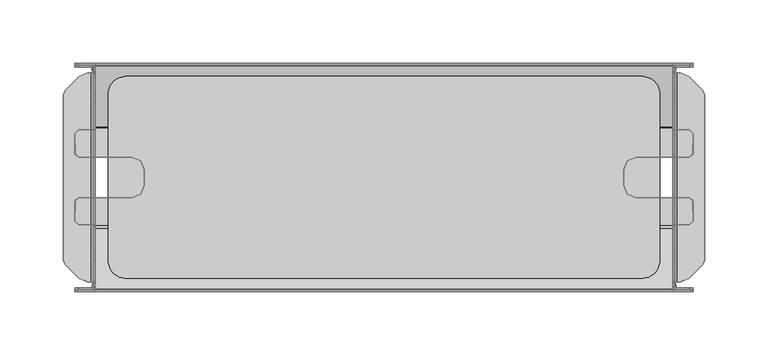
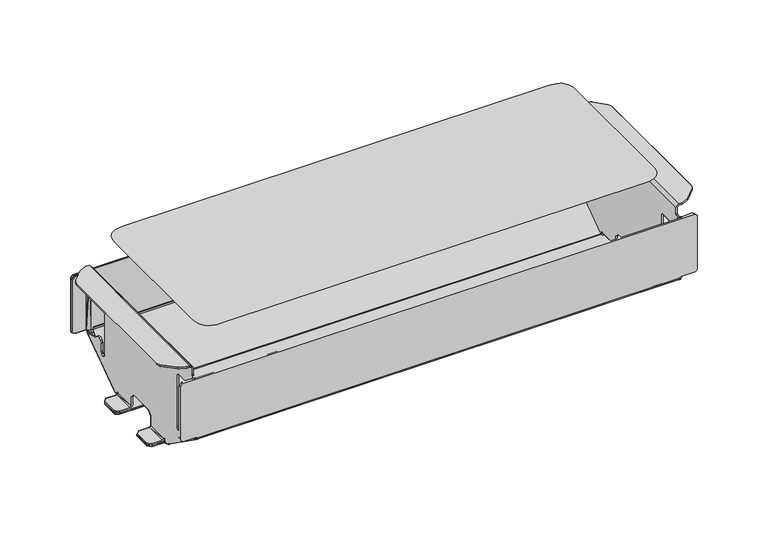
"""IFC4 building model written with IfcOpenShell, lengths in millimetres: furniture geometry."""

import ifcopenshell
import ifcopenshell.guid

model = None  # the IFC model being written
_history = None  # IfcOwnerHistory: only IFC2X3 demands one
_inside = {}  # id of a spatial element -> (the spatial element, [elements in it])
_under = {}  # id of a project, library or spatial element -> (it, [spatial elements below it])
_declared = {}  # id of a project -> (the project, [libraries it declares])
_typed = {}  # id of a type object -> (the type object, [elements of that type])
_made_of = {}  # id of a material, layer set ... -> (it, [elements and type objects made of it])


def new_model(schema):
    """Start an empty IFC model of exactly this schema.

    Asked for "IFC4X3", IfcOpenShell would pick the latest addendum, in which some entities
    have other attributes; the version numbers below select the first issue.
    IFC2X3 requires an IfcOwnerHistory on every rooted entity: one is made here for all.
    """
    global model, _history
    if schema == "IFC4X3":
        model = ifcopenshell.file(schema_version=(4, 3, 0, 0))
    else:
        model = ifcopenshell.file(schema=schema)
    _inside.clear()
    _under.clear()
    _declared.clear()
    _typed.clear()
    _made_of.clear()
    _history = None
    if model.schema == "IFC2X3":
        org = make("IfcOrganization", Name="unknown")
        user = make(
            "IfcPersonAndOrganization",
            ThePerson=make("IfcPerson", FamilyName="unknown"),
            TheOrganization=org,
        )
        app = make(
            "IfcApplication",
            ApplicationDeveloper=org,
            Version="unknown",
            ApplicationFullName="unknown",
            ApplicationIdentifier="unknown",
        )
        _history = make(
            "IfcOwnerHistory",
            OwningUser=user,
            OwningApplication=app,
            ChangeAction="ADDED",
            CreationDate=0,
        )
    return model


def make(cls, **values):
    """One entity of the class cls with the attributes given. An attribute that is None is left unset."""
    return model.create_entity(
        cls, **{name: value for name, value in values.items() if value is not None}
    )


def rooted(cls, **values):
    """An entity with a GlobalId (a new one), such as an element, a storey or a relation."""
    return make(cls, GlobalId=ifcopenshell.guid.new(), OwnerHistory=_history, **values)


def si_unit(unit_type, name, prefix=None):
    """IfcSIUnit, for example si_unit("LENGTHUNIT", "METRE", prefix="MILLI")."""
    return make("IfcSIUnit", UnitType=unit_type, Prefix=prefix, Name=name)


def assignment(units):
    """IfcUnitAssignment: the units of a project."""
    return None if units is None else make("IfcUnitAssignment", Units=units)


def point(xyz):
    """IfcCartesianPoint."""
    return None if xyz is None else make("IfcCartesianPoint", Coordinates=xyz)


def direction(xyz):
    """IfcDirection."""
    return None if xyz is None else make("IfcDirection", DirectionRatios=xyz)


def frame(location, z_axis=None, x_axis=None):
    """IfcAxis2Placement3D, a coordinate frame: its origin and axes. An axis left out is left unset."""
    return make(
        "IfcAxis2Placement3D",
        Location=point(location),
        Axis=direction(z_axis),
        RefDirection=direction(x_axis),
    )


def origin():
    """The frame at (0, 0, 0) with its axes left unset."""
    return frame((0.0, 0.0, 0.0))


def place(relative_to, where):
    """IfcLocalPlacement: puts the frame where relative to a parent placement (None: the world)."""
    return make(
        "IfcLocalPlacement", PlacementRelTo=relative_to, RelativePlacement=where
    )


def context(
    kind, dimensions, precision=None, world=None, true_north=None, identifier=None
):
    """IfcGeometricRepresentationContext, for example the 3D "Model" context."""
    return make(
        "IfcGeometricRepresentationContext",
        ContextIdentifier=identifier,
        ContextType=kind,
        CoordinateSpaceDimension=dimensions,
        Precision=precision,
        WorldCoordinateSystem=world,
        TrueNorth=true_north,
    )


def project(units=None, contexts=None):
    """IfcProject with its units and contexts."""
    return rooted(
        "IfcProject",
        Name="project",
        RepresentationContexts=contexts,
        UnitsInContext=assignment(units),
    )


def spatial(cls, under=None, at=None, **own):
    """A site, building, storey or space (cls), placed at a placement, below another one or the project."""
    s = rooted(cls, ObjectPlacement=at, **own)
    if under is not None:
        _under.setdefault(under.id(), (under, []))[1].append(s)
    return s


def point_list(points):
    """IfcCartesianPointList2D or 3D."""
    cls = (
        "IfcCartesianPointList2D" if len(points[0]) == 2 else "IfcCartesianPointList3D"
    )
    return make(cls, CoordList=points)


def triangles(points, corners, closed=None, point_numbers=None):
    """IfcTriangulatedFaceSet: each triangle names its three corners, points numbered from 1."""
    return make(
        "IfcTriangulatedFaceSet",
        Coordinates=point_list(points),
        Closed=closed,
        CoordIndex=corners,
        PnIndex=point_numbers,
    )


def shape(context_of_items, identifier, shape_type, items):
    """IfcShapeRepresentation: the items that make up one representation, for example the "Body"."""
    return make(
        "IfcShapeRepresentation",
        ContextOfItems=context_of_items,
        RepresentationIdentifier=identifier,
        RepresentationType=shape_type,
        Items=items,
    )


def source(mapping_origin, context_of_items, identifier, shape_type, items):
    """IfcRepresentationMap: a shape defined once, which mapped items show again and again."""
    return make(
        "IfcRepresentationMap",
        MappingOrigin=mapping_origin,
        MappedRepresentation=shape(context_of_items, identifier, shape_type, items),
    )


def transform(
    local_origin,
    x_axis=None,
    y_axis=None,
    z_axis=None,
    scale=None,
    scale2=None,
    scale3=None,
    uniform=True,
):
    """IfcCartesianTransformationOperator3D, or its non-uniform kind. x_axis, y_axis, z_axis: its Axis1, 2, 3."""
    if uniform:
        return make(
            "IfcCartesianTransformationOperator3D",
            Axis1=direction(x_axis),
            Axis2=direction(y_axis),
            LocalOrigin=point(local_origin),
            Scale=scale,
            Axis3=direction(z_axis),
        )
    return make(
        "IfcCartesianTransformationOperator3DnonUniform",
        Axis1=direction(x_axis),
        Axis2=direction(y_axis),
        LocalOrigin=point(local_origin),
        Scale=scale,
        Axis3=direction(z_axis),
        Scale2=scale2,
        Scale3=scale3,
    )


def mapped(mapping_source, mapping_target):
    """IfcMappedItem: shows the shape of a source again, moved by a transform."""
    return make(
        "IfcMappedItem", MappingSource=mapping_source, MappingTarget=mapping_target
    )


def made_of(thing, what):
    """Note that an element or type object is made of a material, layer set ...; save() writes the relation."""
    if what is not None:
        _made_of.setdefault(what.id(), (what, []))[1].append(thing)
    return thing


def element(
    cls,
    number,
    at=None,
    inside=None,
    cuts=None,
    type_object=None,
    material=None,
    context=None,
    identifier="Body",
    shape_type=None,
    held_by="IfcProductDefinitionShape",
    body=None,
    shapes=None,
    **own,
):
    """One element of the class cls, such as IfcWall. Its Tag is "e" and its number.

    at: its placement. inside: the storey or other place that contains it. cuts: it is an
    opening in that element (IfcRelVoidsElement). A single representation is given by context,
    identifier, shape_type and body (its items); several are given by shapes. held_by: the class
    of the entity that holds the representations. save() writes the other relations.
    """
    e = rooted(cls, Tag="e%d" % number, ObjectPlacement=at, **own)
    if body is not None:
        shapes = [shape(context, identifier, shape_type, body)]
    if shapes is not None:
        e.Representation = make(held_by, Representations=shapes)
    if inside is not None:
        _inside.setdefault(inside.id(), (inside, []))[1].append(e)
    if cuts is not None:
        rooted(
            "IfcRelVoidsElement", RelatingBuildingElement=cuts, RelatedOpeningElement=e
        )
    if type_object is not None:
        _typed.setdefault(type_object.id(), (type_object, []))[1].append(e)
    return made_of(e, material)


def aggregate(whole, parts):
    """IfcRelAggregates: a whole, such as a stair, and the parts it consists of."""
    return rooted("IfcRelAggregates", RelatingObject=whole, RelatedObjects=parts)


def save(model, path):
    """Write the relations noted so far, then the file.

    IfcRelAggregates (storeys below a building ...), IfcRelContainedInSpatialStructure (elements
    in a storey), IfcRelDefinesByType, IfcRelAssociatesMaterial and IfcRelDeclares: one each for
    every whole, place, type object, material and project.
    """
    for whole, parts in _under.values():
        aggregate(whole, parts)
    for where, things in _inside.values():
        rooted(
            "IfcRelContainedInSpatialStructure",
            RelatedElements=things,
            RelatingStructure=where,
        )
    for kind, things in _typed.values():
        rooted("IfcRelDefinesByType", RelatedObjects=things, RelatingType=kind)
    for what, things in _made_of.values():
        rooted("IfcRelAssociatesMaterial", RelatedObjects=things, RelatingMaterial=what)
    for by, libraries in _declared.values():
        rooted("IfcRelDeclares", RelatingContext=by, RelatedDefinitions=libraries)
    model.write(path)


def furniture_90497fde(model_context):
    return source(origin(), model_context, "Body", "Tessellation", [
        triangles([(244.0000048, -90.0000025, -41.1010159), (241.9999997, -90.0000025, -39.1010199), (-241.9999997, -90.0000025, -39.1010199), (-244.0000048, -90.0000025, -41.1010159), (-244.0000048, -90.0000025, -94.8065768), (244.0000048, -90.0000025, -94.8065768), (241.9999997, -90.0000025, -96.806582), (-241.9999997, -90.0000025, -96.806582), (228.0000003, -89.9923086, -97.8065754), (228.9999938, -90.0000025, -96.806582), (-228.9999938, -90.0000025, -96.806582), (-228.0000003, -89.9923086, -97.8065754), (-228.0000003, -88.7761673, -99.9475785), (228.0000003, -88.7761673, -99.9475785), (228.0000003, -40.7412587, -133.5819898), (-228.0000003, -40.7412587, -133.5819898), (-228.2928967, -37.7928921, -134.101017), (228.2928967, -37.7928921, -134.101017), (228.9999938, -37.5000026, -134.101017), (-228.9999938, -37.5000026, -134.101017), (240.999988, -37.5000026, -134.101017), (-240.999988, -37.5000026, -134.101017), (-244.0000048, -34.4999994, -134.101017), (244.0000048, -34.4999994, -134.101017), (243.7716393, -17.8519502, -134.101017), (-243.7716393, -17.8519502, -134.101017), (-240.999988, -16.0000011, -134.101017), (240.999988, -16.0000011, -134.101017), (199.0000081, -16.0000011, -134.101017), (-199.0000081, -16.0000011, -134.101017), (-191.928928, -13.0710681, -134.101017), (191.928928, -13.0710681, -134.101017), (189.0000007, -6.0, -134.101017), (-189.0000007, -6.0, -134.101017), (-189.0000007, 6.0, -134.101017), (189.0000007, 6.0, -134.101017), (191.928928, 13.0710681, -134.101017), (-191.928928, 13.0710681, -134.101017), (-199.0000081, 16.0000011, -134.101017), (199.0000081, 16.0000011, -134.101017), (240.999988, 16.0000011, -134.101017), (-240.999988, 16.0000011, -134.101017), (-243.7716393, 17.8519502, -134.101017), (243.7716393, 17.8519502, -134.101017), (244.0000048, 34.4999994, -134.101017), (-244.0000048, 34.4999994, -134.101017), (-240.999988, 37.5000026, -134.101017), (240.999988, 37.5000026, -134.101017), (228.2928967, 37.7928921, -134.101017), (228.9999938, 37.5000026, -134.101017), (-228.9999938, 37.5000026, -134.101017), (-228.2928967, 37.7928921, -134.101017), (-228.0000003, 39.0950928, -134.101017), (228.0000003, 39.0950928, -134.101017), (228.0000003, 40.7412587, -133.5819898), (-228.0000003, 40.7412587, -133.5819898), (-228.0000003, 88.7761673, -99.9475785), (228.0000003, 88.7761673, -99.9475785), (228.9999938, 90.0000025, -96.806582), (228.0000003, 89.9923086, -97.8065754), (-228.0000003, 89.9923086, -97.8065754), (-228.9999938, 90.0000025, -96.806582), (243.8477612, 90.0000025, -95.5719462), (241.9999997, 90.0000025, -96.806582), (-241.9999997, 90.0000025, -96.806582), (-243.8477612, 90.0000025, -95.5719462), (-244.0000048, 90.0000025, -94.8065768), (244.0000048, 90.0000025, -94.8065768), (244.0000048, 90.0000025, -41.1010159), (-244.0000048, 90.0000025, -41.1010159), (-241.9999997, 90.0000025, -39.1010199), (241.9999997, 90.0000025, -39.1010199), (244.0000048, 34.4999994, -132.666021), (243.7716393, 17.8519502, -132.666021), (240.999988, 37.5000026, -132.666021), (228.9999938, 37.5000026, -132.666021), (228.2928967, 37.7928921, -132.666021), (228.0000003, 39.0950928, -132.666021), (228.0000003, 39.9181712, -132.4065074), (228.0000003, 87.9530798, -98.7720961), (228.0000003, 88.5495551, -97.8065754), (228.9999938, 88.5649974, -96.806582), (241.9999997, 88.5649974, -96.806582), (244.0000048, 88.5649974, -94.8065768), (244.0000048, 88.5649974, -41.1010159), (241.9999997, 88.5649974, -39.1010199), (-241.9999997, 88.5649974, -39.1010199), (-244.0000048, 88.5649974, -41.1010159), (-244.0000048, 88.5649974, -94.8065768), (-243.8477612, 88.5649974, -95.5719462), (-241.9999997, 88.5649974, -96.806582), (-228.9999938, 88.5649974, -96.806582), (-228.0000003, 88.5495551, -97.8065754), (-228.0000003, 87.9530798, -98.7720961), (-228.0000003, 39.9181712, -132.4065074), (-228.0000003, 39.0950928, -132.666021), (-228.2928967, 37.7928921, -132.666021), (-228.9999938, 37.5000026, -132.666021), (-240.999988, 37.5000026, -132.666021), (-244.0000048, 34.4999994, -132.666021), (-243.7716393, 17.8519502, -132.666021), (-240.999988, 16.0000011, -132.666021), (-199.0000081, 16.0000011, -132.666021), (-191.928928, 13.0710681, -132.666021), (-189.0000007, 6.0, -132.666021), (-189.0000007, -6.0, -132.666021), (-191.928928, -13.0710681, -132.666021), (-199.0000081, -16.0000011, -132.666021), (-240.999988, -16.0000011, -132.666021), (-243.7716393, -17.8519502, -132.666021), (-244.0000048, -34.4999994, -132.666021), (-240.999988, -37.5000026, -132.666021), (-228.9999938, -37.5000026, -132.666021), (-228.2928967, -37.7928921, -132.666021), (-228.0000003, -39.9181712, -132.4065074), (-228.0000003, -87.9530798, -98.7720961), (-228.0000003, -88.5495551, -97.8065754), (-228.9999938, -88.5649974, -96.806582), (-241.9999997, -88.5649974, -96.806582), (-244.0000048, -88.5649974, -94.8065768), (-244.0000048, -88.5649974, -41.1010159), (-241.9999997, -88.5649974, -39.1010199), (241.9999997, -88.5649974, -39.1010199), (244.0000048, -88.5649974, -41.1010159), (244.0000048, -88.5649974, -94.8065768), (241.9999997, -88.5649974, -96.806582), (228.9999938, -88.5649974, -96.806582), (228.0000003, -88.5495551, -97.8065754), (228.0000003, -87.9530798, -98.7720961), (228.0000003, -39.9181712, -132.4065074), (228.2928967, -37.7928921, -132.666021), (228.9999938, -37.5000026, -132.666021), (240.999988, -37.5000026, -132.666021), (244.0000048, -34.4999994, -132.666021), (243.7716393, -17.8519502, -132.666021), (240.999988, -16.0000011, -132.666021), (199.0000081, -16.0000011, -132.666021), (191.928928, -13.0710681, -132.666021), (189.0000007, -6.0, -132.666021), (189.0000007, 6.0, -132.666021), (191.928928, 13.0710681, -132.666021), (199.0000081, 16.0000011, -132.666021), (240.999988, 16.0000011, -132.666021), (243.8477612, 88.5649974, -95.5719462), (253.0000005, 65.4289369, -30.8010201), (253.0000005, 65.4289369, -29.3660196), (253.0000005, -65.4289369, -29.3660196), (253.0000005, -65.4289369, -30.8010201), (251.5355368, -68.9644587, -30.8010201), (251.5355368, -68.9644587, -29.3660196), (240.928935, -79.5710697, -29.3660196), (240.928935, -79.5710697, -30.8010201), (233.8578731, -82.5000061, -30.8010201), (233.8578731, -82.5000061, -29.3660196), (230.8699923, -82.5000061, -29.3660196), (230.8699923, -82.5000061, -30.8010201), (229.4349963, -82.5000061, -32.2360206), (228.0000003, -82.5000061, -32.2360206), (229.4349963, -82.5000061, -38.3660176), (228.0000003, -82.5000061, -38.3660176), (229.4349963, -83.4999995, -39.3660201), (228.0000003, -83.4999995, -39.3660201), (229.4349963, -85.6300022, -39.3660201), (228.0000003, -85.6300022, -39.3660201), (230.8699923, -87.0650072, -39.3660201), (230.8699923, -88.5000032, -39.3660201), (241.0000062, -88.5000032, -39.3660201), (241.0000062, -87.0650072, -39.3660201), (244.0000048, -87.0650072, -42.3660187), (244.0000048, -88.5000032, -42.3660187), (244.0000048, -88.5000032, -93.4564776), (244.0000048, -87.0650072, -93.4564776), (241.0000062, -87.0650072, -96.4564761), (241.0000062, -88.5000032, -96.4564761), (230.8699923, -88.5000032, -96.4564761), (230.8699923, -87.0650072, -96.4564761), (230.5930288, -87.0386825, -96.4604912), (230.3184271, -88.446509, -96.4564761), (229.5974682, -88.3963667, -97.4505833), (230.2827461, -87.1508577, -97.5157229), (229.4349963, -88.3079819, -100.5694609), (228.00149, -88.3207264, -100.5755743), (228.0000003, -43.274834, -132.123476), (229.4349963, -43.274834, -132.123476), (229.4349963, -41.5541042, -132.666021), (228.0000003, -41.5541042, -132.666021), (228.0000003, -39.9349988, -132.666021), (229.4349963, -39.9349988, -132.666021), (229.4349963, -38.9350008, -131.6660276), (228.0000003, -38.9350008, -131.6660276), (228.0000003, -38.7248528, -130.0061725), (229.4349963, -38.7248528, -130.0061725), (229.4349963, -38.2174983, -129.79602), (228.0000003, -38.2174983, -129.79602), (228.0557563, -37.5687257, -130.3589035), (229.4702957, -37.5468293, -130.112198), (229.5192389, -37.5000026, -130.2804563), (228.1684856, -37.5000026, -130.7648925), (230.8699923, -37.5000026, -132.666021), (230.8699923, -37.5000026, -131.2310251), (241.0000062, -37.5000026, -131.2310251), (244.0000048, -34.4999994, -131.2310251), (244.0000048, -18.9999996, -131.2310251), (244.0000048, -18.9999996, -132.666021), (241.0000062, -16.0000011, -131.2310251), (230.8699923, -16.0000011, -131.2310251), (230.8699923, -16.0000011, -132.666021), (228.0000003, -16.0000011, -129.79602), (229.4349963, -16.0000011, -129.79602), (229.4349963, -16.0000011, -120.6660268), (228.0000003, -16.0000011, -120.6660268), (228.0000003, -12.0, -116.6660256), (229.4349963, -12.0, -116.6660256), (229.4349963, 12.0, -116.6660256), (228.0000003, 12.0, -116.6660256), (228.0000003, -60.4999999, -51.8660202), (229.4349963, -60.4999999, -51.8660202), (229.4349963, -80.500001, -51.8660202), (228.0000003, -80.500001, -51.8660202), (228.0000003, -81.5000035, -52.8660182), (229.4349963, -81.5000035, -52.8660182), (229.4349963, -81.5000035, -93.2491774), (228.0000003, -81.5000035, -93.2491774), (228.0000003, -80.5469185, -96.0185305), (229.4349963, -80.5469185, -96.0185305), (229.4349963, -78.0914089, -97.6148175), (228.0000003, -78.0914089, -97.6148175), (228.0000003, -75.1735865, -97.3618624), (229.4349963, -75.1735865, -97.3618624), (229.4349963, -73.0294132, -95.3668261), (228.0000003, -73.0294132, -95.3668261), (228.0000003, -71.1234794, -93.5934514), (229.4349963, -71.1234794, -93.5934514), (229.4349963, -68.5298514, -93.3686105), (228.0000003, -68.5298514, -93.3686105), (228.0000003, -66.3471721, -94.7875282), (229.4349963, -66.3471721, -94.7875282), (229.4349963, -65.499999, -97.2491785), (228.0000003, -65.499999, -97.2491785), (228.0000003, -65.499999, -105.2333568), (229.4349963, -65.499999, -105.2333568), (229.4349963, -64.6213236, -107.3546663), (228.0000003, -64.6213236, -107.3546663), (228.0000003, -62.5000005, -108.2333554), (229.4349963, -62.5000005, -108.2333554), (229.4349963, -60.3786819, -107.3546663), (228.0000003, -60.3786819, -107.3546663), (228.0000003, -59.5000019, -105.2333568), (229.4349963, -59.5000019, -105.2333568), (229.4349963, -59.5000019, -52.8660182), (228.0000003, -59.5000019, -52.8660182), (251.5355368, 68.9644587, -30.8010201), (240.928935, 79.5710697, -30.8010201), (233.8578731, 82.5000061, -30.8010201), (230.8699923, 82.5000061, -30.8010201), (229.4349963, 82.5000061, -32.2360206), (229.4349963, 82.5000061, -38.3660176), (229.4349963, 59.5000019, -52.8660182), (229.4349963, 60.4999999, -51.8660202), (229.4349963, 59.5000019, -105.2333568), (229.4349963, 80.500001, -51.8660202), (228.0000003, 82.5000061, -32.2360206), (228.0000003, 82.5000061, -38.3660176), (228.0000003, 60.4999999, -51.8660202), (228.0000003, 59.5000019, -52.8660182), (228.0000003, 59.5000019, -105.2333568), (228.0000003, 80.500001, -51.8660202), (230.8699923, 82.5000061, -29.3660196), (233.8578731, 82.5000061, -29.3660196), (240.928935, 79.5710697, -29.3660196), (251.5355368, 68.9644587, -29.3660196), (228.0000003, 83.4999995, -39.3660201), (229.4349963, 83.4999995, -39.3660201), (229.4349963, 85.6300022, -39.3660201), (228.0000003, 85.6300022, -39.3660201), (230.8699923, 88.5000032, -39.3660201), (230.8699923, 87.0650072, -39.3660201), (241.0000062, 87.0650072, -39.3660201), (241.0000062, 88.5000032, -39.3660201), (244.0000048, 88.5000032, -42.3660187), (244.0000048, 87.0650072, -42.3660187), (244.0000048, 87.0650072, -93.4564776), (244.0000048, 88.5000032, -93.4564776), (241.0000062, 88.5000032, -96.4564761), (241.0000062, 87.0650072, -96.4564761), (230.8699923, 87.0650072, -96.4564761), (230.8699923, 88.5000032, -96.4564761), (230.3184271, 88.446509, -96.4564761), (230.5930288, 87.0386825, -96.4604912), (230.2827461, 87.1508577, -97.5157229), (229.5974682, 88.3963667, -97.4505833), (228.00149, 88.3207264, -100.5755743), (229.4349963, 88.3079819, -100.5694609), (229.4349963, 43.274834, -132.123476), (228.0000003, 43.274834, -132.123476), (228.0000003, 41.5541042, -132.666021), (229.4349963, 41.5541042, -132.666021), (229.4349963, 39.9349988, -132.666021), (228.0000003, 39.9349988, -132.666021), (228.0000003, 38.9350008, -131.6660276), (229.4349963, 38.9350008, -131.6660276), (229.4349963, 38.7248528, -130.0061725), (228.0000003, 38.7248528, -130.0061725), (228.0000003, 38.2174983, -129.79602), (229.4349963, 38.2174983, -129.79602), (229.4702957, 37.5468293, -130.112198), (228.0557563, 37.5687257, -130.3589035), (228.1684856, 37.5000026, -130.7648925), (229.5192389, 37.5000026, -130.2804563), (230.8699923, 37.5000026, -131.2310251), (230.8699923, 37.5000026, -132.666021), (241.0000062, 37.5000026, -131.2310251), (244.0000048, 34.4999994, -131.2310251), (244.0000048, 18.9999996, -132.666021), (244.0000048, 18.9999996, -131.2310251), (241.0000062, 16.0000011, -131.2310251), (230.8699923, 16.0000011, -132.666021), (230.8699923, 16.0000011, -131.2310251), (229.4349963, 16.0000011, -129.79602), (228.0000003, 16.0000011, -129.79602), (228.0000003, 16.0000011, -120.6660268), (229.4349963, 16.0000011, -120.6660268), (229.4349963, 81.5000035, -52.8660182), (228.0000003, 81.5000035, -52.8660182), (228.0000003, 81.5000035, -93.2491774), (229.4349963, 81.5000035, -93.2491774), (229.4349963, 80.5469185, -96.0185305), (228.0000003, 80.5469185, -96.0185305), (228.0000003, 78.0914089, -97.6148175), (229.4349963, 78.0914089, -97.6148175), (229.4349963, 75.1735865, -97.3618624), (228.0000003, 75.1735865, -97.3618624), (228.0000003, 73.0294132, -95.3668261), (229.4349963, 73.0294132, -95.3668261), (229.4349963, 71.1234794, -93.5934514), (228.0000003, 71.1234794, -93.5934514), (228.0000003, 68.5298514, -93.3686105), (229.4349963, 68.5298514, -93.3686105), (229.4349963, 66.3471721, -94.7875282), (228.0000003, 66.3471721, -94.7875282), (228.0000003, 65.499999, -97.2491785), (229.4349963, 65.499999, -97.2491785), (229.4349963, 65.499999, -105.2333568), (228.0000003, 65.499999, -105.2333568), (228.0000003, 64.6213236, -107.3546663), (229.4349963, 64.6213236, -107.3546663), (229.4349963, 62.5000005, -108.2333554), (228.0000003, 62.5000005, -108.2333554), (228.0000003, 60.3786819, -107.3546663), (229.4349963, 60.3786819, -107.3546663), (-253.0000005, -65.4289369, -30.8010201), (-253.0000005, -65.4289369, -29.3660196), (-253.0000005, 65.4289369, -29.3660196), (-253.0000005, 65.4289369, -30.8010201), (-251.5355368, -68.9644587, -29.3660196), (-251.5355368, -68.9644587, -30.8010201), (-240.928935, -79.5710697, -30.8010201), (-240.928935, -79.5710697, -29.3660196), (-233.8578731, -82.5000061, -29.3660196), (-233.8578731, -82.5000061, -30.8010201), (-230.8699923, -82.5000061, -30.8010201), (-230.8699923, -82.5000061, -29.3660196), (-228.0000003, -82.5000061, -32.2360206), (-229.4349963, -82.5000061, -32.2360206), (-229.4349963, -82.5000061, -38.3660176), (-228.0000003, -82.5000061, -38.3660176), (-228.0000003, -83.4999995, -39.3660201), (-229.4349963, -83.4999995, -39.3660201), (-229.4349963, -85.6300022, -39.3660201), (-228.0000003, -85.6300022, -39.3660201), (-230.8699923, -88.5000032, -39.3660201), (-230.8699923, -87.0650072, -39.3660201), (-241.0000062, -87.0650072, -39.3660201), (-241.0000062, -88.5000032, -39.3660201), (-244.0000048, -88.5000032, -42.3660187), (-244.0000048, -87.0650072, -42.3660187), (-244.0000048, -87.0650072, -93.4564776), (-244.0000048, -88.5000032, -93.4564776), (-241.0000062, -88.5000032, -96.4564761), (-241.0000062, -87.0650072, -96.4564761), (-230.8699923, -87.0650072, -96.4564761), (-230.8699923, -88.5000032, -96.4564761), (-230.3184271, -88.446509, -96.4564761), (-230.5930288, -87.0386825, -96.4604912), (-230.2827461, -87.1508577, -97.5157229), (-229.5974682, -88.3963667, -97.4505833), (-228.00149, -88.3207264, -100.5755743), (-229.4349963, -88.3079819, -100.5694609), (-229.4349963, -43.274834, -132.123476), (-228.0000003, -43.274834, -132.123476), (-228.0000003, -41.5541042, -132.666021), (-229.4349963, -41.5541042, -132.666021), (-229.4349963, -39.9349988, -132.666021), (-228.0000003, -39.9349988, -132.666021), (-228.0000003, -38.9350008, -131.6660276), (-229.4349963, -38.9350008, -131.6660276), (-229.4349963, -38.7248528, -130.0061725), (-228.0000003, -38.7248528, -130.0061725), (-228.0000003, -38.2174983, -129.79602), (-229.4349963, -38.2174983, -129.79602), (-229.4702957, -37.5468293, -130.112198), (-228.0557563, -37.5687257, -130.3589035), (-228.1684856, -37.5000026, -130.7648925), (-229.5192389, -37.5000026, -130.2804563), (-230.8699923, -37.5000026, -131.2310251), (-230.8699923, -37.5000026, -132.666021), (-241.0000062, -37.5000026, -131.2310251), (-244.0000048, -34.4999994, -131.2310251), (-244.0000048, -18.9999996, -132.666021), (-244.0000048, -18.9999996, -131.2310251), (-241.0000062, -16.0000011, -131.2310251), (-230.8699923, -16.0000011, -132.666021), (-230.8699923, -16.0000011, -131.2310251), (-229.4349963, -16.0000011, -129.79602), (-228.0000003, -16.0000011, -129.79602), (-228.0000003, -16.0000011, -120.6660268), (-229.4349963, -16.0000011, -120.6660268), (-229.4349963, -12.0, -116.6660256), (-228.0000003, -12.0, -116.6660256), (-228.0000003, 12.0, -116.6660256), (-229.4349963, 12.0, -116.6660256), (-228.0000003, -80.500001, -51.8660202), (-229.4349963, -80.500001, -51.8660202), (-229.4349963, -60.4999999, -51.8660202), (-228.0000003, -60.4999999, -51.8660202), (-229.4349963, -81.5000035, -52.8660182), (-228.0000003, -81.5000035, -52.8660182), (-228.0000003, -81.5000035, -93.2491774), (-229.4349963, -81.5000035, -93.2491774), (-229.4349963, -80.5469185, -96.0185305), (-228.0000003, -80.5469185, -96.0185305), (-228.0000003, -78.0914089, -97.6148175), (-229.4349963, -78.0914089, -97.6148175), (-229.4349963, -75.1735865, -97.3618624), (-228.0000003, -75.1735865, -97.3618624), (-228.0000003, -73.0294132, -95.3668261), (-229.4349963, -73.0294132, -95.3668261), (-229.4349963, -71.1234794, -93.5934514), (-228.0000003, -71.1234794, -93.5934514), (-228.0000003, -68.5298514, -93.3686105), (-229.4349963, -68.5298514, -93.3686105), (-229.4349963, -66.3471721, -94.7875282), (-228.0000003, -66.3471721, -94.7875282), (-228.0000003, -65.499999, -97.2491785), (-229.4349963, -65.499999, -97.2491785), (-229.4349963, -65.499999, -105.2333568), (-228.0000003, -65.499999, -105.2333568), (-228.0000003, -64.6213236, -107.3546663), (-229.4349963, -64.6213236, -107.3546663), (-229.4349963, -62.5000005, -108.2333554), (-228.0000003, -62.5000005, -108.2333554), (-228.0000003, -60.3786819, -107.3546663), (-229.4349963, -60.3786819, -107.3546663), (-229.4349963, -59.5000019, -105.2333568), (-228.0000003, -59.5000019, -105.2333568), (-228.0000003, -59.5000019, -52.8660182), (-229.4349963, -59.5000019, -52.8660182), (-251.5355368, 68.9644587, -30.8010201), (-240.928935, 79.5710697, -30.8010201), (-233.8578731, 82.5000061, -30.8010201), (-230.8699923, 82.5000061, -30.8010201), (-229.4349963, 82.5000061, -32.2360206), (-229.4349963, 82.5000061, -38.3660176), (-229.4349963, 60.4999999, -51.8660202), (-229.4349963, 59.5000019, -52.8660182), (-229.4349963, 59.5000019, -105.2333568), (-229.4349963, 80.500001, -51.8660202), (-228.0000003, 82.5000061, -38.3660176), (-228.0000003, 82.5000061, -32.2360206), (-228.0000003, 59.5000019, -52.8660182), (-228.0000003, 60.4999999, -51.8660202), (-228.0000003, 59.5000019, -105.2333568), (-228.0000003, 80.500001, -51.8660202), (-230.8699923, 82.5000061, -29.3660196), (-233.8578731, 82.5000061, -29.3660196), (-240.928935, 79.5710697, -29.3660196), (-251.5355368, 68.9644587, -29.3660196), (-229.4349963, 83.4999995, -39.3660201), (-228.0000003, 83.4999995, -39.3660201), (-229.4349963, 85.6300022, -39.3660201), (-228.0000003, 85.6300022, -39.3660201), (-230.8699923, 87.0650072, -39.3660201), (-230.8699923, 88.5000032, -39.3660201), (-241.0000062, 88.5000032, -39.3660201), (-241.0000062, 87.0650072, -39.3660201), (-244.0000048, 87.0650072, -42.3660187), (-244.0000048, 88.5000032, -42.3660187), (-244.0000048, 88.5000032, -93.4564776), (-244.0000048, 87.0650072, -93.4564776), (-241.0000062, 87.0650072, -96.4564761), (-241.0000062, 88.5000032, -96.4564761), (-230.8699923, 88.5000032, -96.4564761), (-230.8699923, 87.0650072, -96.4564761), (-230.5930288, 87.0386825, -96.4604912), (-230.3184271, 88.446509, -96.4564761), (-229.5974682, 88.3963667, -97.4505833), (-230.2827461, 87.1508577, -97.5157229), (-229.4349963, 88.3079819, -100.5694609), (-228.00149, 88.3207264, -100.5755743), (-228.0000003, 43.274834, -132.123476), (-229.4349963, 43.274834, -132.123476), (-229.4349963, 41.5541042, -132.666021), (-228.0000003, 41.5541042, -132.666021), (-228.0000003, 39.9349988, -132.666021), (-229.4349963, 39.9349988, -132.666021), (-229.4349963, 38.9350008, -131.6660276), (-228.0000003, 38.9350008, -131.6660276), (-228.0000003, 38.7248528, -130.0061725), (-229.4349963, 38.7248528, -130.0061725), (-229.4349963, 38.2174983, -129.79602), (-228.0000003, 38.2174983, -129.79602), (-228.0557563, 37.5687257, -130.3589035), (-229.4702957, 37.5468293, -130.112198), (-229.5192389, 37.5000026, -130.2804563), (-228.1684856, 37.5000026, -130.7648925), (-230.8699923, 37.5000026, -132.666021), (-230.8699923, 37.5000026, -131.2310251), (-241.0000062, 37.5000026, -131.2310251), (-244.0000048, 34.4999994, -131.2310251), (-244.0000048, 18.9999996, -131.2310251), (-244.0000048, 18.9999996, -132.666021), (-241.0000062, 16.0000011, -131.2310251), (-230.8699923, 16.0000011, -131.2310251), (-230.8699923, 16.0000011, -132.666021), (-228.0000003, 16.0000011, -129.79602), (-229.4349963, 16.0000011, -129.79602), (-229.4349963, 16.0000011, -120.6660268), (-228.0000003, 16.0000011, -120.6660268), (-228.0000003, 81.5000035, -52.8660182), (-229.4349963, 81.5000035, -52.8660182), (-229.4349963, 81.5000035, -93.2491774), (-228.0000003, 81.5000035, -93.2491774), (-228.0000003, 80.5469185, -96.0185305), (-229.4349963, 80.5469185, -96.0185305), (-229.4349963, 78.0914089, -97.6148175), (-228.0000003, 78.0914089, -97.6148175), (-228.0000003, 75.1735865, -97.3618624), (-229.4349963, 75.1735865, -97.3618624), (-229.4349963, 73.0294132, -95.3668261), (-228.0000003, 73.0294132, -95.3668261), (-228.0000003, 71.1234794, -93.5934514), (-229.4349963, 71.1234794, -93.5934514), (-229.4349963, 68.5298514, -93.3686105), (-228.0000003, 68.5298514, -93.3686105), (-228.0000003, 66.3471721, -94.7875282), (-229.4349963, 66.3471721, -94.7875282), (-229.4349963, 65.499999, -97.2491785), (-228.0000003, 65.499999, -97.2491785), (-228.0000003, 65.499999, -105.2333568), (-229.4349963, 65.499999, -105.2333568), (-229.4349963, 64.6213236, -107.3546663), (-228.0000003, 64.6213236, -107.3546663), (-228.0000003, 62.5000005, -108.2333554), (-229.4349963, 62.5000005, -108.2333554), (-229.4349963, 60.3786819, -107.3546663), (-228.0000003, 60.3786819, -107.3546663)], [[1, 2, 3], [1, 3, 4], [1, 4, 5], [1, 5, 6], [7, 6, 5], [7, 5, 8], [9, 10, 11], [9, 11, 12], [9, 12, 13], [9, 13, 14], [15, 14, 13], [15, 13, 16], [15, 16, 17], [15, 17, 18], [19, 18, 17], [19, 17, 20], [21, 22, 23], [21, 23, 24], [25, 24, 26], [24, 23, 26], [25, 26, 27], [25, 27, 28], [29, 30, 31], [29, 31, 32], [33, 32, 31], [33, 31, 34], [33, 34, 35], [33, 35, 36], [37, 36, 35], [37, 35, 38], [37, 38, 39], [37, 39, 40], [41, 42, 43], [41, 43, 44], [45, 44, 43], [45, 43, 46], [45, 46, 47], [45, 47, 48], [49, 50, 51], [49, 51, 52], [49, 52, 53], [49, 53, 54], [55, 54, 53], [55, 53, 56], [55, 56, 57], [55, 57, 58], [59, 60, 61], [59, 61, 62], [63, 64, 65], [63, 65, 66], [63, 66, 67], [63, 67, 68], [69, 68, 67], [69, 67, 70], [69, 70, 71], [69, 71, 72], [58, 57, 61], [58, 61, 60], [73, 74, 44], [73, 44, 45], [73, 45, 48], [73, 48, 75], [76, 75, 48], [76, 48, 50], [76, 50, 77], [50, 49, 77], [78, 77, 49], [78, 49, 54], [78, 54, 55], [78, 55, 79], [80, 79, 55], [80, 55, 58], [80, 58, 60], [80, 60, 81], [60, 81, 82], [60, 82, 59], [82, 59, 64], [82, 64, 83], [84, 68, 69], [84, 69, 85], [86, 85, 69], [86, 69, 72], [86, 72, 71], [86, 71, 87], [88, 87, 70], [87, 71, 70], [88, 70, 67], [88, 67, 89], [90, 89, 67], [90, 67, 66], [90, 66, 91], [66, 65, 91], [92, 91, 65], [92, 65, 62], [92, 62, 93], [62, 61, 93], [94, 93, 61], [94, 61, 57], [94, 57, 56], [94, 56, 95], [96, 95, 56], [96, 56, 53], [96, 53, 52], [96, 52, 97], [98, 97, 51], [97, 52, 51], [98, 51, 47], [98, 47, 99], [100, 99, 47], [100, 47, 46], [100, 46, 43], [100, 43, 101], [102, 101, 43], [102, 43, 42], [102, 42, 39], [102, 39, 103], [104, 103, 39], [104, 39, 38], [104, 38, 35], [104, 35, 105], [106, 105, 35], [106, 35, 34], [106, 34, 31], [106, 31, 107], [108, 107, 31], [108, 31, 30], [108, 30, 27], [108, 27, 109], [110, 109, 27], [110, 27, 26], [110, 26, 23], [110, 23, 111], [23, 111, 112], [23, 112, 22], [112, 22, 20], [112, 20, 113], [20, 113, 114], [20, 114, 17], [114, 17, 16], [114, 16, 115], [116, 115, 16], [116, 16, 13], [116, 13, 12], [116, 12, 117], [118, 117, 11], [117, 12, 11], [118, 11, 8], [118, 8, 119], [120, 119, 8], [120, 8, 5], [120, 5, 4], [120, 4, 121], [122, 121, 4], [122, 4, 3], [122, 3, 2], [122, 2, 123], [124, 123, 1], [123, 2, 1], [124, 1, 6], [124, 6, 125], [126, 125, 6], [126, 6, 7], [126, 7, 10], [126, 10, 127], [128, 127, 10], [128, 10, 9], [128, 9, 14], [128, 14, 129], [130, 129, 14], [130, 14, 15], [130, 15, 18], [130, 18, 131], [132, 131, 19], [131, 18, 19], [132, 19, 21], [132, 21, 133], [134, 133, 21], [134, 21, 24], [134, 24, 25], [134, 25, 135], [136, 135, 25], [136, 25, 28], [136, 28, 29], [136, 29, 137], [138, 137, 29], [138, 29, 32], [138, 32, 33], [138, 33, 139], [140, 139, 33], [140, 33, 36], [140, 36, 37], [140, 37, 141], [142, 141, 37], [142, 37, 40], [142, 40, 41], [142, 41, 143], [74, 143, 41], [74, 41, 44], [74, 44, 45], [74, 45, 73], [75, 73, 45], [75, 45, 48], [86, 87, 88], [86, 88, 85], [84, 85, 88], [84, 88, 89], [68, 84, 63], [84, 144, 63], [63, 144, 83], [63, 83, 64], [84, 89, 90], [84, 90, 144], [83, 144, 90], [83, 90, 91], [81, 82, 92], [81, 92, 93], [81, 93, 94], [81, 94, 80], [79, 80, 94], [79, 94, 95], [79, 95, 96], [79, 96, 78], [77, 78, 96], [77, 96, 97], [77, 97, 98], [77, 98, 76], [75, 99, 100], [75, 100, 73], [74, 73, 101], [73, 100, 101], [74, 101, 102], [74, 102, 143], [142, 103, 104], [142, 104, 141], [140, 141, 104], [140, 104, 105], [140, 105, 106], [140, 106, 139], [138, 139, 106], [138, 106, 107], [138, 107, 108], [138, 108, 137], [136, 109, 110], [136, 110, 135], [134, 135, 110], [134, 110, 111], [134, 111, 112], [134, 112, 133], [132, 113, 114], [132, 114, 131], [130, 131, 114], [130, 114, 115], [130, 115, 116], [130, 116, 129], [128, 129, 116], [128, 116, 117], [128, 117, 118], [128, 118, 127], [126, 119, 120], [126, 120, 125], [124, 125, 120], [124, 120, 121], [124, 121, 122], [124, 122, 123], [145, 146, 147], [145, 147, 148], [149, 148, 150], [148, 147, 150], [149, 150, 151], [149, 151, 152], [153, 152, 151], [153, 151, 154], [153, 154, 155], [153, 155, 156], [157, 156, 158], [156, 155, 158], [157, 158, 159], [158, 160, 159], [161, 159, 160], [161, 160, 162], [161, 162, 163], [162, 164, 163], [165, 163, 164], [165, 164, 166], [165, 166, 167], [165, 167, 168], [169, 168, 167], [169, 167, 170], [169, 170, 171], [169, 171, 172], [173, 172, 171], [173, 171, 174], [173, 174, 175], [173, 175, 176], [177, 176, 175], [177, 175, 178], [177, 178, 179], [177, 179, 180], [179, 180, 181], [179, 181, 182], [181, 182, 183], [181, 183, 184], [185, 184, 183], [185, 183, 186], [185, 186, 187], [185, 187, 188], [189, 188, 190], [188, 187, 190], [189, 190, 191], [189, 191, 192], [193, 192, 194], [192, 191, 194], [193, 194, 195], [193, 195, 196], [197, 196, 195], [197, 195, 198], [197, 198, 199], [197, 199, 200], [201, 200, 199], [201, 199, 133], [201, 133, 134], [201, 134, 202], [203, 202, 134], [203, 134, 204], [203, 204, 136], [203, 136, 205], [206, 205, 136], [206, 136, 207], [206, 207, 208], [206, 208, 209], [210, 209, 211], [209, 208, 211], [210, 211, 212], [210, 212, 213], [214, 213, 212], [214, 212, 215], [216, 217, 218], [216, 218, 219], [220, 219, 218], [220, 218, 221], [220, 221, 222], [220, 222, 223], [224, 223, 222], [224, 222, 225], [224, 225, 226], [224, 226, 227], [228, 227, 226], [228, 226, 229], [228, 229, 230], [228, 230, 231], [232, 231, 230], [232, 230, 233], [232, 233, 234], [232, 234, 235], [236, 235, 234], [236, 234, 237], [236, 237, 238], [236, 238, 239], [240, 239, 238], [240, 238, 241], [240, 241, 242], [240, 242, 243], [244, 243, 242], [244, 242, 245], [244, 245, 246], [244, 246, 247], [248, 247, 246], [248, 246, 249], [248, 249, 250], [248, 250, 251], [216, 251, 250], [216, 250, 217], [252, 145, 148], [252, 148, 149], [252, 149, 253], [149, 152, 253], [254, 253, 152], [254, 152, 153], [254, 153, 156], [254, 156, 255], [256, 255, 156], [256, 156, 157], [256, 157, 159], [256, 159, 257], [250, 258, 259], [250, 259, 217], [249, 260, 258], [249, 258, 250], [218, 261, 257], [218, 257, 159], [249, 213, 214], [249, 214, 260], [213, 249, 246], [213, 246, 210], [209, 210, 246], [209, 246, 245], [209, 245, 192], [209, 192, 193], [160, 158, 262], [160, 262, 263], [264, 265, 251], [264, 251, 216], [265, 266, 251], [266, 248, 251], [263, 267, 219], [263, 219, 160], [215, 212, 266], [212, 248, 266], [247, 248, 212], [247, 212, 211], [247, 211, 208], [247, 208, 244], [191, 244, 208], [191, 208, 194], [221, 218, 161], [218, 159, 161], [222, 221, 161], [222, 161, 177], [177, 161, 163], [177, 163, 176], [163, 165, 176], [169, 172, 168], [172, 173, 168], [165, 168, 173], [165, 173, 176], [222, 177, 180], [222, 180, 225], [226, 225, 180], [226, 180, 181], [226, 181, 184], [226, 184, 185], [189, 192, 188], [192, 185, 188], [185, 192, 245], [185, 245, 242], [234, 233, 230], [234, 230, 237], [238, 237, 230], [238, 230, 229], [241, 238, 229], [241, 229, 242], [229, 226, 185], [229, 185, 242], [183, 182, 227], [183, 227, 186], [244, 191, 186], [244, 186, 243], [231, 232, 235], [231, 235, 236], [231, 236, 239], [231, 239, 228], [228, 239, 240], [228, 240, 243], [186, 227, 228], [186, 228, 243], [186, 191, 190], [186, 190, 187], [174, 171, 170], [174, 170, 167], [174, 167, 166], [174, 166, 175], [178, 175, 166], [178, 166, 164], [178, 164, 182], [178, 182, 179], [160, 219, 220], [160, 220, 162], [164, 162, 220], [164, 220, 182], [223, 182, 220], [227, 224, 223], [227, 223, 182], [136, 204, 134], [136, 134, 133], [136, 133, 199], [136, 199, 207], [208, 207, 199], [208, 199, 198], [202, 203, 201], [203, 205, 201], [200, 201, 205], [200, 205, 206], [200, 206, 209], [200, 209, 196], [193, 196, 209], [268, 262, 158], [268, 158, 155], [268, 155, 154], [268, 154, 269], [270, 269, 154], [270, 154, 151], [270, 151, 150], [270, 150, 271], [146, 271, 147], [271, 150, 147], [271, 146, 145], [271, 145, 252], [253, 270, 252], [270, 271, 252], [269, 270, 253], [269, 253, 254], [255, 268, 269], [255, 269, 254], [262, 268, 255], [262, 255, 256], [257, 263, 262], [257, 262, 256], [272, 263, 257], [272, 257, 273], [274, 275, 272], [274, 272, 273], [276, 275, 274], [276, 274, 277], [278, 279, 276], [278, 276, 277], [280, 279, 278], [280, 278, 281], [282, 283, 280], [282, 280, 281], [284, 283, 285], [283, 282, 285], [286, 287, 284], [286, 284, 285], [288, 287, 286], [288, 286, 289], [290, 291, 288], [290, 288, 289], [292, 293, 290], [292, 290, 291], [294, 295, 292], [294, 292, 293], [296, 295, 294], [296, 294, 297], [298, 299, 297], [299, 296, 297], [300, 299, 298], [300, 298, 301], [302, 303, 301], [303, 300, 301], [304, 303, 302], [304, 302, 305], [306, 307, 304], [306, 304, 305], [308, 307, 306], [308, 306, 309], [310, 311, 308], [310, 308, 309], [75, 311, 310], [75, 310, 312], [313, 73, 75], [313, 75, 312], [314, 73, 315], [73, 313, 315], [316, 143, 314], [316, 314, 315], [317, 143, 318], [143, 316, 318], [319, 320, 317], [319, 317, 318], [321, 320, 319], [321, 319, 322], [214, 215, 322], [215, 321, 322], [267, 261, 259], [267, 259, 264], [323, 261, 267], [323, 267, 324], [325, 326, 323], [325, 323, 324], [327, 326, 325], [327, 325, 328], [329, 330, 327], [329, 327, 328], [331, 330, 332], [330, 329, 332], [333, 334, 331], [333, 331, 332], [335, 334, 336], [334, 333, 336], [337, 338, 335], [337, 335, 336], [339, 338, 340], [338, 337, 340], [341, 342, 339], [341, 339, 340], [343, 342, 341], [343, 341, 344], [345, 346, 343], [345, 343, 344], [347, 346, 348], [346, 345, 348], [349, 350, 347], [349, 347, 348], [260, 350, 266], [350, 349, 266], [265, 258, 260], [265, 260, 266], [259, 258, 265], [259, 265, 264], [322, 350, 260], [322, 260, 214], [347, 350, 322], [347, 322, 319], [305, 302, 319], [302, 347, 319], [321, 215, 266], [321, 266, 349], [348, 320, 321], [348, 321, 349], [304, 320, 303], [320, 348, 303], [273, 257, 261], [273, 261, 323], [289, 273, 323], [289, 323, 326], [286, 274, 273], [286, 273, 289], [286, 277, 274], [278, 285, 282], [278, 282, 281], [286, 285, 278], [286, 278, 277], [327, 290, 289], [327, 289, 326], [293, 290, 327], [293, 327, 330], [297, 294, 293], [297, 293, 330], [298, 297, 302], [298, 302, 301], [346, 347, 302], [346, 302, 297], [339, 334, 335], [339, 335, 338], [331, 334, 339], [331, 339, 342], [346, 331, 342], [346, 342, 343], [346, 297, 330], [346, 330, 331], [296, 329, 292], [296, 292, 295], [345, 296, 303], [345, 303, 348], [340, 337, 336], [340, 336, 333], [332, 341, 340], [332, 340, 333], [345, 344, 341], [345, 341, 332], [345, 332, 329], [345, 329, 296], [299, 300, 303], [299, 303, 296], [279, 280, 283], [279, 283, 284], [287, 276, 279], [287, 279, 284], [275, 276, 287], [275, 287, 288], [291, 292, 275], [291, 275, 288], [272, 324, 267], [272, 267, 263], [292, 324, 272], [292, 272, 275], [325, 324, 292], [292, 325, 328], [292, 328, 329], [75, 73, 314], [75, 314, 143], [317, 311, 75], [317, 75, 143], [308, 311, 317], [308, 317, 320], [312, 316, 315], [312, 315, 313], [318, 316, 312], [318, 312, 310], [306, 319, 318], [306, 318, 310], [305, 319, 306], [351, 352, 353], [351, 353, 354], [355, 352, 351], [355, 351, 356], [357, 358, 356], [358, 355, 356], [359, 358, 357], [359, 357, 360], [361, 362, 359], [361, 359, 360], [363, 362, 361], [363, 361, 364], [365, 366, 363], [365, 363, 364], [367, 366, 365], [367, 365, 368], [369, 370, 367], [369, 367, 368], [371, 370, 369], [371, 369, 372], [373, 374, 371], [373, 371, 372], [375, 374, 373], [375, 373, 376], [377, 378, 375], [377, 375, 376], [379, 378, 380], [378, 377, 380], [381, 382, 379], [381, 379, 380], [383, 382, 381], [383, 381, 384], [385, 386, 383], [385, 383, 384], [387, 388, 385], [387, 385, 386], [389, 390, 387], [389, 387, 388], [391, 390, 389], [391, 389, 392], [393, 394, 392], [394, 391, 392], [395, 394, 393], [395, 393, 396], [397, 398, 396], [398, 395, 396], [399, 398, 397], [399, 397, 400], [401, 402, 399], [401, 399, 400], [403, 402, 401], [403, 401, 404], [405, 406, 403], [405, 403, 404], [112, 406, 405], [112, 405, 407], [408, 111, 112], [408, 112, 407], [409, 111, 410], [111, 408, 410], [411, 109, 409], [411, 409, 410], [412, 109, 413], [109, 411, 413], [414, 415, 412], [414, 412, 413], [416, 415, 414], [416, 414, 417], [418, 419, 417], [419, 416, 417], [420, 419, 418], [420, 418, 421], [422, 423, 424], [422, 424, 425], [426, 423, 422], [426, 422, 427], [428, 429, 426], [428, 426, 427], [430, 429, 428], [430, 428, 431], [432, 433, 430], [432, 430, 431], [434, 433, 435], [433, 432, 435], [436, 437, 434], [436, 434, 435], [438, 437, 439], [437, 436, 439], [440, 441, 438], [440, 438, 439], [442, 441, 443], [441, 440, 443], [444, 445, 442], [444, 442, 443], [446, 445, 444], [446, 444, 447], [448, 449, 446], [448, 446, 447], [450, 449, 451], [449, 448, 451], [452, 453, 450], [452, 450, 451], [454, 453, 455], [453, 452, 455], [456, 457, 454], [456, 454, 455], [424, 457, 456], [424, 456, 425], [356, 351, 354], [356, 354, 458], [459, 357, 356], [459, 356, 458], [360, 357, 459], [360, 459, 460], [461, 361, 360], [461, 360, 460], [364, 361, 461], [364, 461, 462], [463, 365, 364], [463, 364, 462], [424, 464, 465], [424, 465, 457], [457, 465, 454], [465, 466, 454], [365, 463, 467], [365, 467, 423], [466, 421, 418], [466, 418, 454], [417, 453, 454], [417, 454, 418], [450, 453, 417], [450, 417, 414], [400, 397, 414], [397, 450, 414], [468, 469, 363], [468, 363, 366], [425, 456, 470], [425, 470, 471], [456, 455, 470], [455, 472, 470], [366, 422, 473], [366, 473, 468], [472, 455, 419], [472, 419, 420], [416, 419, 455], [416, 455, 452], [451, 415, 416], [451, 416, 452], [399, 415, 398], [415, 451, 398], [368, 365, 423], [368, 423, 426], [384, 368, 426], [384, 426, 429], [381, 369, 368], [381, 368, 384], [381, 372, 369], [373, 380, 377], [373, 377, 376], [381, 380, 373], [381, 373, 372], [430, 385, 384], [430, 384, 429], [388, 385, 430], [388, 430, 433], [392, 389, 388], [392, 388, 433], [393, 392, 397], [393, 397, 396], [449, 450, 397], [449, 397, 392], [442, 437, 438], [442, 438, 441], [434, 437, 442], [434, 442, 445], [449, 434, 445], [449, 445, 446], [449, 392, 433], [449, 433, 434], [391, 432, 387], [391, 387, 390], [448, 391, 398], [448, 398, 451], [443, 440, 439], [443, 439, 436], [435, 444, 443], [435, 443, 436], [448, 447, 444], [448, 444, 435], [448, 435, 432], [448, 432, 391], [394, 395, 398], [394, 398, 391], [374, 375, 378], [374, 378, 379], [382, 371, 374], [382, 374, 379], [370, 371, 382], [370, 382, 383], [386, 387, 370], [386, 370, 383], [367, 427, 422], [367, 422, 366], [387, 427, 367], [387, 367, 370], [428, 427, 387], [387, 428, 431], [387, 431, 432], [112, 111, 409], [112, 409, 109], [412, 406, 112], [412, 112, 109], [403, 406, 412], [403, 412, 415], [407, 411, 410], [407, 410, 408], [413, 411, 407], [413, 407, 405], [401, 414, 413], [401, 413, 405], [400, 414, 401], [362, 363, 469], [362, 469, 474], [475, 359, 362], [475, 362, 474], [358, 359, 475], [358, 475, 476], [477, 355, 476], [355, 358, 476], [352, 355, 353], [355, 477, 353], [458, 354, 477], [354, 353, 477], [458, 477, 476], [458, 476, 459], [460, 459, 476], [460, 476, 475], [460, 475, 474], [460, 474, 461], [462, 461, 469], [461, 474, 469], [462, 469, 463], [469, 468, 463], [478, 463, 468], [478, 468, 479], [478, 479, 480], [479, 481, 480], [482, 480, 481], [482, 481, 483], [482, 483, 484], [482, 484, 485], [486, 485, 484], [486, 484, 487], [486, 487, 488], [486, 488, 489], [490, 489, 488], [490, 488, 491], [490, 491, 492], [490, 492, 493], [494, 493, 492], [494, 492, 495], [494, 495, 496], [494, 496, 497], [496, 497, 498], [496, 498, 499], [498, 499, 500], [498, 500, 501], [502, 501, 500], [502, 500, 503], [502, 503, 504], [502, 504, 505], [506, 505, 507], [505, 504, 507], [506, 507, 508], [506, 508, 509], [510, 509, 511], [509, 508, 511], [510, 511, 512], [510, 512, 513], [514, 513, 512], [514, 512, 515], [514, 515, 516], [514, 516, 517], [518, 517, 516], [518, 516, 99], [518, 99, 100], [518, 100, 519], [520, 519, 100], [520, 100, 521], [520, 521, 102], [520, 102, 522], [523, 522, 102], [523, 102, 524], [523, 524, 525], [523, 525, 526], [527, 526, 528], [526, 525, 528], [527, 528, 420], [527, 420, 421], [471, 464, 467], [471, 467, 473], [529, 473, 467], [529, 467, 530], [529, 530, 531], [529, 531, 532], [533, 532, 531], [533, 531, 534], [533, 534, 535], [533, 535, 536], [537, 536, 535], [537, 535, 538], [537, 538, 539], [537, 539, 540], [541, 540, 539], [541, 539, 542], [541, 542, 543], [541, 543, 544], [545, 544, 543], [545, 543, 546], [545, 546, 547], [545, 547, 548], [549, 548, 547], [549, 547, 550], [549, 550, 551], [549, 551, 552], [553, 552, 551], [553, 551, 554], [553, 554, 555], [553, 555, 556], [472, 556, 555], [472, 555, 466], [472, 466, 465], [472, 465, 470], [471, 470, 465], [471, 465, 464], [421, 466, 555], [421, 555, 527], [526, 527, 555], [526, 555, 554], [526, 554, 509], [526, 509, 510], [556, 472, 420], [556, 420, 528], [556, 528, 525], [556, 525, 553], [508, 553, 525], [508, 525, 511], [530, 467, 478], [467, 463, 478], [531, 530, 478], [531, 478, 494], [494, 478, 480], [494, 480, 493], [480, 482, 493], [486, 489, 485], [489, 490, 485], [482, 485, 490], [482, 490, 493], [531, 494, 497], [531, 497, 534], [535, 534, 497], [535, 497, 498], [535, 498, 501], [535, 501, 502], [506, 509, 505], [509, 502, 505], [502, 509, 554], [502, 554, 551], [543, 542, 539], [543, 539, 546], [547, 546, 539], [547, 539, 538], [550, 547, 538], [550, 538, 551], [538, 535, 502], [538, 502, 551], [500, 499, 536], [500, 536, 503], [553, 508, 503], [553, 503, 552], [540, 541, 544], [540, 544, 545], [540, 545, 548], [540, 548, 537], [537, 548, 549], [537, 549, 552], [503, 536, 537], [503, 537, 552], [503, 508, 507], [503, 507, 504], [491, 488, 487], [491, 487, 484], [491, 484, 483], [491, 483, 492], [495, 492, 483], [495, 483, 481], [495, 481, 499], [495, 499, 496], [468, 473, 529], [468, 529, 479], [481, 479, 529], [481, 529, 499], [532, 499, 529], [536, 533, 532], [536, 532, 499], [102, 521, 100], [102, 100, 99], [102, 99, 516], [102, 516, 524], [525, 524, 516], [525, 516, 515], [519, 520, 518], [520, 522, 518], [517, 518, 522], [517, 522, 523], [517, 523, 526], [517, 526, 513], [510, 513, 526]], closed=False),
        triangles([(215.8589172, 72.3184419, 0.6884116), (213.2835294, 75.6924229, 0.6884305), (211.1194718, 77.3894078, 0.6883891), (208.4276848, 78.7167886, 0.6884011), (203.8446978, 79.659609, 0.6889576), (217.4806206, 67.4055059, 0.6899199), (217.7344387, 62.7499761, 0.6883776), (200.7499557, 79.7394279, 0.6883776), (208.6223313, -78.6439279, 0.6630943), (211.1845659, -77.3471774, 0.6629965), (213.4506158, -75.5292243, 0.6630321), (216.0482044, -71.9582213, 0.663074), (204.3647787, -79.6150804, 0.6648361), (217.5331973, -67.038527, 0.6651618), (200.7499921, -79.7394279, 0.6629783), (217.7344387, -62.7499761, 0.6629776), (-200.7499921, -79.7394279, 0.6629783), (-200.7499557, 79.7394279, 0.6883776), (-217.7394347, 62.7499761, 0.6883776), (-217.7394347, -62.7499761, 0.6629776), (-208.4326808, 78.7167886, 0.6884011), (-211.1244678, 77.3894078, 0.6883891), (-213.2885073, 75.6924229, 0.6884305), (-215.8639133, 72.3184419, 0.6884116), (-217.4855985, 67.4055059, 0.6899199), (-203.8496939, 79.659609, 0.6889576), (-217.5381934, -67.038527, 0.6651618), (-204.3697748, -79.6150804, 0.6648361), (-208.6273274, -78.6439279, 0.6630943), (-216.0531823, -71.9582213, 0.663074), (-213.4555937, -75.5292243, 0.6630321), (-211.189562, -77.3471774, 0.6629965)], [[1, 2, 3], [1, 3, 4], [1, 4, 5], [1, 5, 6], [7, 6, 5], [7, 5, 8], [9, 10, 11], [9, 11, 12], [9, 12, 13], [12, 14, 13], [15, 13, 14], [15, 14, 16], [8, 15, 16], [8, 16, 7], [17, 15, 8], [17, 8, 18], [17, 18, 19], [17, 19, 20], [21, 22, 23], [21, 23, 24], [21, 24, 25], [21, 25, 26], [18, 26, 25], [18, 25, 19], [17, 20, 27], [17, 27, 28], [29, 28, 30], [28, 27, 30], [29, 30, 31], [29, 31, 32]], closed=False),
    ])


if __name__ == "__main__":
    model = new_model("IFC4")
    model_context = context("Model", 3, world=origin())
    ifc_project = project(units=[si_unit("LENGTHUNIT", "METRE", prefix="MILLI")], contexts=[model_context])
    site = spatial("IfcSite", under=ifc_project)
    building = spatial("IfcBuilding", under=site)
    placement = place(None, origin())
    furniture_shape = furniture_90497fde(model_context)
    element("IfcFurniture", 1, at=placement, inside=building, context=model_context, shape_type="MappedRepresentation", body=[
        mapped(furniture_shape, transform((0.0, 0.0, 0.0), x_axis=(1.0, 0.0, 0.0), y_axis=(0.0, 1.0, 0.0), z_axis=(0.0, 0.0, 1.0))),
    ])
    save(model, "model.ifc")
